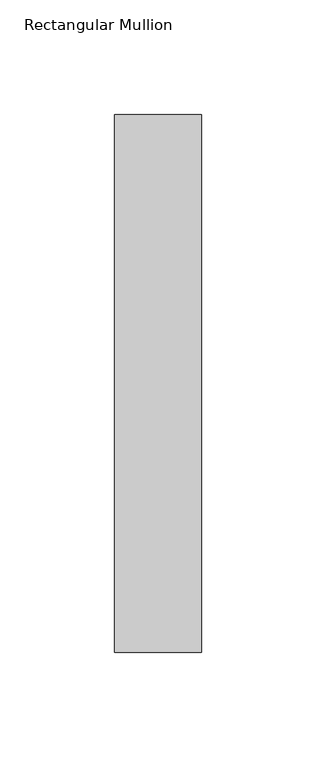
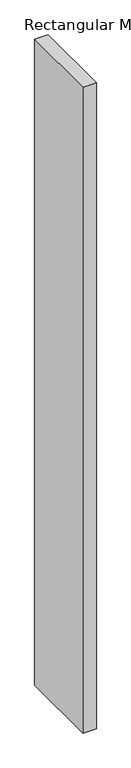
"""IFC4 building model written with IfcOpenShell, lengths in millimetres: member geometry, Rectangular Mullion."""

from ifc_helpers import new_model, si_unit, frame, origin, place, context, project, spatial, polyline, outline, extrude, source, transform, mapped, element, save


def rectangular_mullion_909f2921(model_context):
    return source(origin(), model_context, "Body", "SweptSolid", [
        extrude(outline(polyline([(19.0, 235.0), (19.0, 0.0), (-19.0, 0.0), (-19.0, 235.0), (19.0, 235.0)])), frame((0.0, 0.0, -1924.0), z_axis=(0.0, 0.0, 1.0), x_axis=(1.0, 0.0, 0.0)), (0.0, 0.0, 1.0), 1924.0),
    ])


if __name__ == "__main__":
    model = new_model("IFC4")
    model_context = context("Model", 3, world=origin())
    ifc_project = project(units=[si_unit("LENGTHUNIT", "METRE", prefix="MILLI")], contexts=[model_context])
    site = spatial("IfcSite", under=ifc_project)
    building = spatial("IfcBuilding", under=site)
    placement = place(None, origin())
    rectangular_mullion_shape = rectangular_mullion_909f2921(model_context)
    element("IfcMember", 1, ObjectType="Rectangular Mullion", at=placement, inside=building, context=model_context, shape_type="MappedRepresentation", body=[
        mapped(rectangular_mullion_shape, transform((0.0, 0.0, 0.0), x_axis=(1.0, 0.0, 0.0), y_axis=(0.0, 1.0, 0.0), z_axis=(0.0, 0.0, 1.0))),
    ])
    save(model, "model.ifc")
